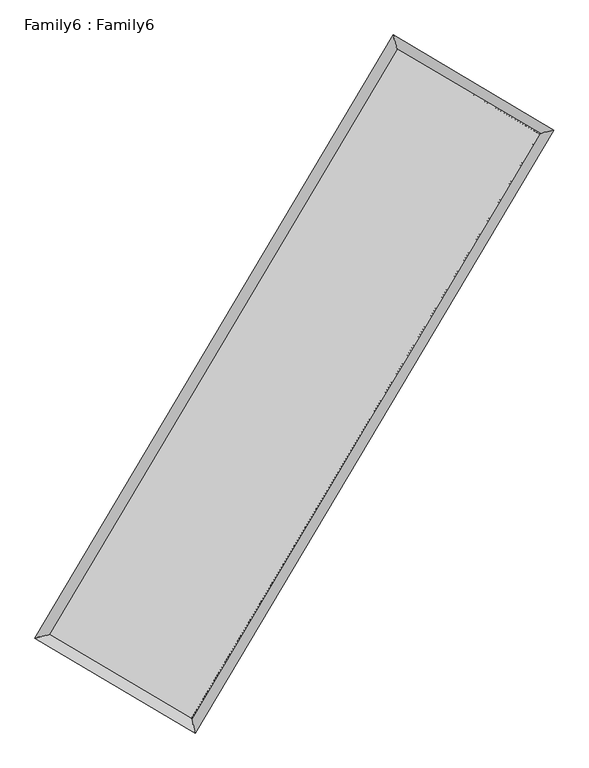
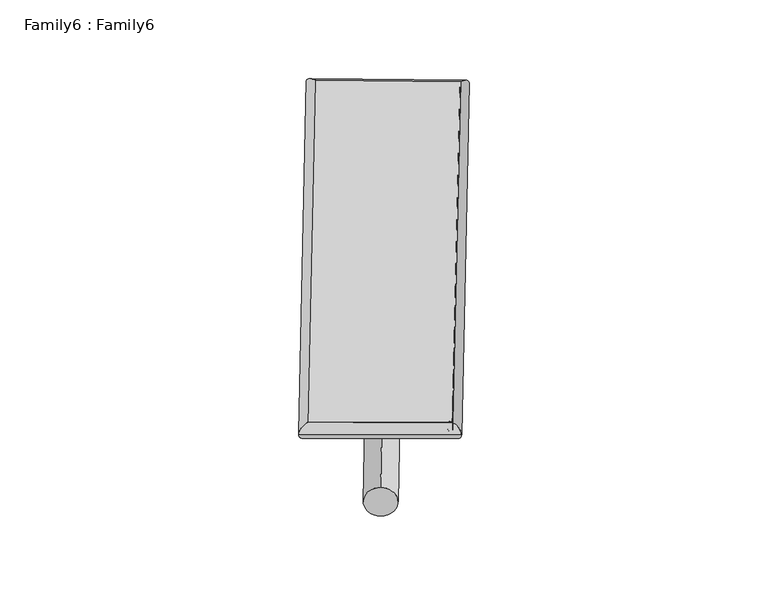
"""IFC4 building model written with IfcOpenShell, lengths in millimetres: plate geometry, Family6 : Family6."""

from ifc_helpers import new_model, si_unit, point, frame, origin, origin_2d, place, context, project, spatial, circle_curve, ellipse_curve, trimmed, segment, composite_curve, outline, extrude, source, transform, mapped, element, save
from ifc_brep_helpers import plane_surface, cylinder_surface, spline_surface, advanced_brep


def family6_family6_d1538494(model_context):
    return source(origin(), model_context, "Body", "SolidModel", [
        extrude(outline(composite_curve([segment(trimmed(circle_curve(origin_2d(), 76.2), [point((-75.4341514, -10.7763073))], [point((75.4341514, 10.7763073))], False, "CARTESIAN"), True, "CONTINUOUS"), segment(trimmed(circle_curve(origin_2d(), 76.2), [point((75.4341514, 10.7763073))], [point((-75.4341514, -10.7763073))], False, "CARTESIAN"), True, "CONTINUOUS")], self_intersect=False)), frame((9144.0, 9144.0, 0.0), z_axis=(0.673960195485888, 0.686782111214011, 0.272227821166481), x_axis=(-0.6787693738896328, 0.7211148743702851, -0.13880012619376061)), (0.0, 0.0, 1.0), 5568.3294081),
        extrude(outline(composite_curve([segment(trimmed(circle_curve(origin_2d(), 76.2), [point((-53.8815367, 53.8815368))], [point((53.8815367, -53.8815368))], False, "CARTESIAN"), True, "CONTINUOUS"), segment(trimmed(circle_curve(origin_2d(), 76.2), [point((53.8815367, -53.8815368))], [point((-53.8815367, 53.8815368))], False, "CARTESIAN"), True, "CONTINUOUS")], self_intersect=False)), frame((9144.0, 9144.0, 0.0), z_axis=(-0.6736531462722424, -0.6870819442354829, 0.2722312260250428), x_axis=(0.6407798310366922, -0.3594795317528649, 0.6783624948265708)), (0.0, 0.0, 1.0), 5568.1647991),
        extrude(outline(composite_curve([segment(trimmed(circle_curve(origin_2d(), 76.2), [point((-53.8815368, -53.8815368))], [point((53.8815368, 53.8815368))], False, "CARTESIAN"), True, "CONTINUOUS"), segment(trimmed(circle_curve(origin_2d(), 76.2), [point((53.8815368, 53.8815368))], [point((-53.8815368, -53.8815368))], False, "CARTESIAN"), True, "CONTINUOUS")], self_intersect=False)), frame((9144.0, 9144.0, 0.0), z_axis=(0.28082130228431074, 0.9196433446070343, 0.27458243735412385), x_axis=(-0.8387670738445179, 0.37421591839221025, -0.3955151605895529)), (0.0, 0.0, 1.0), 5567.871701),
        extrude(outline(composite_curve([segment(trimmed(circle_curve(origin_2d(), 76.2), [point((-75.4341514, 10.7763073))], [point((75.4341514, -10.7763073))], False, "CARTESIAN"), True, "CONTINUOUS"), segment(trimmed(circle_curve(origin_2d(), 76.2), [point((75.4341514, -10.7763073))], [point((-75.4341514, 10.7763073))], False, "CARTESIAN"), True, "CONTINUOUS")], self_intersect=False)), frame((9144.0, 9144.0, 0.0), z_axis=(-0.2812112193744647, -0.9195141254237954, 0.2746161379890837), x_axis=(0.876324136979809, -0.12942435932649599, 0.46401006687303564)), (0.0, 0.0, 1.0), 5567.124421),
        advanced_brep(
        [(5184.0051751, 5264.8096186, 1516.8651044), (5601.9770803, 5371.6275019, 1517.1458204), (5601.9713532, 5371.6193894, 1514.7915555), (10760.8750729, 14055.790785, 1527.421852), (10654.2788911, 14473.121522, 1530.2577131), (5183.9994479, 5264.8015061, 1514.5108395), (12687.7991711, 12914.8863051, 1515.9922737), (13105.8655818, 13021.5717486, 1515.716091), (7525.2008939, 4233.5511217, 1528.5804737), (7631.7234124, 3816.3497921, 1529.0639427)],
        [
            (0, 1, ellipse_curve(frame((5392.9882641, 5318.214504, 1515.82833), z_axis=(-0.247601797051274, 0.9688580200669925, -0.0027362472196765307), x_axis=(-0.9688487964686396, -0.24761214423934894, -0.004498400433531821)), 215.7107562, 152.4)),
            (1, 2, ellipse_curve(frame((5392.9882641, 5318.214504, 1515.82833), z_axis=(-0.247601797051274, 0.9688580200669925, -0.0027362472196765307), x_axis=(-0.9688487964686396, -0.24761214423934894, -0.004498400433531821)), 215.7107562, 152.4)),
            (2, 3),
            (3, 4, ellipse_curve(frame((10707.576982, 14264.4561535, 1528.8397825), z_axis=(-0.9688853853128315, -0.24749484074160188, 0.002722853924649279), x_axis=(0.2474813939436114, -0.9688822124904674, -0.004496439847695829)), 215.3697624, 152.4)),
            (4, 0),
            (2, 5, ellipse_curve(frame((5392.9882641, 5318.214504, 1515.82833), z_axis=(-0.247601797051274, 0.9688580200669925, -0.0027362472196765307), x_axis=(-0.9688487964686396, -0.24761214423934894, -0.004498400433531821)), 215.7107562, 152.4)),
            (5, 0, ellipse_curve(frame((5392.9882641, 5318.214504, 1515.82833), z_axis=(-0.247601797051274, 0.9688580200669925, -0.0027362472196765307), x_axis=(-0.9688487964686396, -0.24761214423934894, -0.004498400433531821)), 215.7107562, 152.4)),
            (4, 3, ellipse_curve(frame((10707.576982, 14264.4561535, 1528.8397825), z_axis=(-0.9688853853128315, -0.24749484074160188, 0.002722853924649279), x_axis=(0.2474813939436114, -0.9688822124904674, -0.004496439847695829)), 215.3697624, 152.4)),
            (3, 6),
            (6, 7, ellipse_curve(frame((12896.8323764, 12968.2290269, 1515.8541823), z_axis=(-0.2472611377889928, 0.968945031923906, 0.00273035698646122), x_axis=(-0.9689358654575342, -0.24727143947300861, 0.004485961547457291)), 215.7337178, 152.4)),
            (7, 4),
            (7, 6, ellipse_curve(frame((12896.8323764, 12968.2290269, 1515.8541823), z_axis=(-0.2472611377889928, 0.968945031923906, 0.00273035698646122), x_axis=(-0.9689358654575342, -0.24727143947300861, 0.004485961547457291)), 215.7337178, 152.4)),
            (6, 8),
            (8, 9, ellipse_curve(frame((7578.4621532, 4024.9504569, 1528.8222082), z_axis=(0.9689116436342206, 0.2473919013343848, 0.0027338588462427803), x_axis=(-0.24737838513693355, 0.9689084821039917, -0.004504206254356148)), 215.294183, 152.4)),
            (9, 7),
            (9, 8, ellipse_curve(frame((7578.4621532, 4024.9504569, 1528.8222082), z_axis=(0.9689116436342206, 0.2473919013343848, 0.0027338588462427803), x_axis=(-0.24737838513693355, 0.9689084821039917, -0.004504206254356148)), 215.294183, 152.4)),
            (8, 1),
            (5, 9),
        ],
        [
            cylinder_surface(frame((5392.9882641, 5318.214504, 1515.82833), z_axis=(-0.510734284271842, -0.8597377084632003, -0.0012504062439819183), x_axis=(-0.8597156303513156, 0.5107094527484214, 0.008055420724473308)), 152.4),
            cylinder_surface(frame((10707.576982, 14264.4561535, 1528.8397825), z_axis=(-0.8604715070939735, 0.509472998000599, 0.005103899265054515), x_axis=(0.509493603049163, 0.8604641567611855, 0.004207538620619738)), 152.4),
            cylinder_surface(frame((12896.8323764, 12968.2290269, 1515.8541823), z_axis=(0.5111279015709982, 0.8595037608733963, -0.0012463065897785972), x_axis=(0.859504596193092, -0.5111279015709982, 0.00034257638266267404)), 152.4),
            cylinder_surface(frame((7578.4621532, 4024.9504569, 1528.8222082), z_axis=(0.8605964286947365, -0.5092618245723531, 0.005116732463532628), x_axis=(-0.5092498388354153, -0.8606115354671433, -0.0035194697028825307)), 152.4),
        ],
        [
            (0, [[1, 2, 3, 4, 5]]),
            (0, [[6, 7, -5, 8, -3]]),
            (1, [[-4, 9, 10, 11]]),
            (1, [[-8, -11, 12, -9]]),
            (2, [[-10, 13, 14, 15]]),
            (2, [[-12, -15, 16, -13]]),
            (3, [[-14, 17, -1, -7, 18]]),
            (3, [[-16, -18, -6, -2, -17]]),
        ],
    ),
        extrude(outline(composite_curve([segment(trimmed(circle_curve(origin_2d(), 304.8), [point((0.0, 304.8))], [point((0.0, -304.8))], False, "CARTESIAN"), True, "CONTINUOUS"), segment(trimmed(circle_curve(origin_2d(), 304.8), [point((0.0, -304.8))], [point((0.0, 304.8))], False, "CARTESIAN"), True, "CONTINUOUS")], self_intersect=False)), frame((11806.7748086, 13639.3030465, -0.0001183), z_axis=(-0.5096453628485367, -0.8603845675783492, 2.2643551206563526e-08), x_axis=(-0.8603845675783495, 0.5096453628485367, -6.203115781523746e-09)), (0.0, 0.0, 1.0), 10449.5204027),
        advanced_brep(
        [(5392.9882641, 5318.214504, 1515.82833), (7578.4621532, 4024.9504569, 1528.8222082), (7578.4624024, 4024.9499322, 1681.2222082), (5392.9885134, 5318.2139793, 1668.22833), (12896.8323764, 12968.2290269, 1515.8541823), (12896.8326257, 12968.2285021, 1668.2541823), (10707.576982, 14264.4561535, 1528.8397825), (10707.5772313, 14264.4556287, 1681.2397825)],
        [
            (0, 1),
            (1, 2),
            (2, 3),
            (3, 0),
            (1, 4),
            (4, 5),
            (5, 2),
            (4, 6),
            (6, 7),
            (7, 5),
            (6, 0),
            (3, 7),
        ],
        [
            plane_surface(frame((6485.7252086, 4671.5824805, 1522.3252691), z_axis=(-0.5092684818008647, -0.8606077000815789, -2.1302553948692425e-06), x_axis=(0.8605964286947364, -0.5092618245723534, 0.005116732463532622))),
            plane_surface(frame((10237.6472648, 8496.5897419, 1522.3381953), z_axis=(0.8595044263782957, -0.5111283019224191, -3.1656970836722127e-06), x_axis=(0.5111279015709983, 0.8595037608733963, -0.0012463065897786011))),
            plane_surface(frame((11802.2046792, 13616.3425902, 1522.3469824), z_axis=(0.5094796433132209, 0.8604827093236092, 2.1294796473877997e-06), x_axis=(-0.8604715070939731, 0.5094729980005995, 0.0051038992650545125))),
            plane_surface(frame((8050.2826231, 9791.3353287, 1522.3340563), z_axis=(-0.8597383825874939, 0.510734680138156, 3.1647244313060116e-06), x_axis=(-0.5107342842718422, -0.8597377084632, -0.001250406243981919))),
            spline_surface(1, 1, [[(7578.4624024, 4024.9499322, 1681.2222082), (5392.9885134, 5318.2139793, 1668.22833)], [(12896.8326257, 12968.2285021, 1668.2541823), (10707.5772313, 14264.4556287, 1681.2397825)]], [2, 2], [2, 2], [0.0, 1.0], [0.0, 1.0]),
            spline_surface(1, 1, [[(10707.576982, 14264.4561535, 1528.8397825), (5392.9882641, 5318.214504, 1515.82833)], [(12896.8323764, 12968.2290269, 1515.8541823), (7578.4621532, 4024.9504569, 1528.8222082)]], [2, 2], [2, 2], [0.0, 1.0], [0.0, 1.0]),
        ],
        [
            (0, [[1, 2, 3, 4]]),
            (1, [[5, 6, 7, -2]]),
            (2, [[8, 9, 10, -6]]),
            (3, [[11, -4, 12, -9]]),
            (4, [[-3, -7, -10, -12]]),
            (5, [[-11, -8, -5, -1]]),
        ],
    ),
    ])


if __name__ == "__main__":
    model = new_model("IFC4")
    model_context = context("Model", 3, world=origin())
    ifc_project = project(units=[si_unit("LENGTHUNIT", "METRE", prefix="MILLI")], contexts=[model_context])
    site = spatial("IfcSite", under=ifc_project)
    building = spatial("IfcBuilding", under=site)
    placement = place(None, origin())
    family6_family6_shape = family6_family6_d1538494(model_context)
    element("IfcPlate", 1, ObjectType="Family6 : Family6", at=placement, inside=building, context=model_context, shape_type="MappedRepresentation", body=[
        mapped(family6_family6_shape, transform((0.0, 0.0, 0.0), x_axis=(1.0, 0.0, 0.0), y_axis=(0.0, 1.0, 0.0), z_axis=(0.0, 0.0, 1.0))),
    ])
    save(model, "model.ifc")
